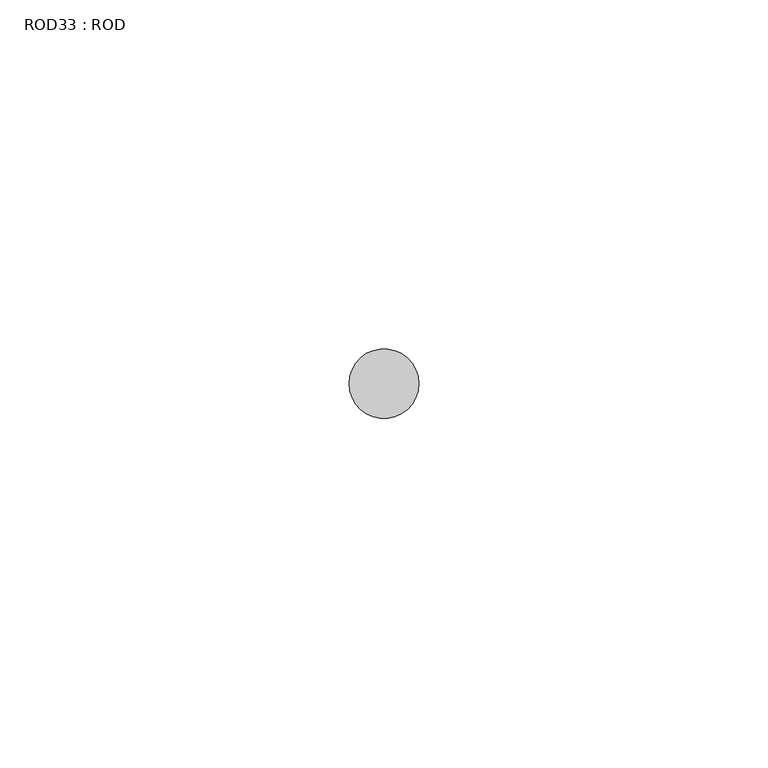
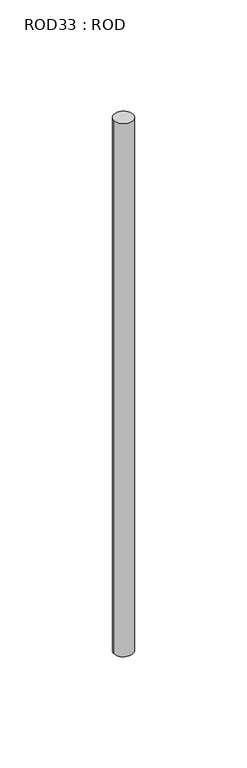
"""IFC4 building model written with IfcOpenShell, lengths in millimetres: proxy geometry, ROD33 : ROD."""

from ifc_helpers import new_model, si_unit, point, frame, frame_2d, origin, place, context, project, spatial, circle_curve, trimmed, segment, composite_curve, outline, extrude, source, transform, mapped, element, save


def rod33_rod_95397202(model_context):
    return source(origin(), model_context, "Body", "SweptSolid", [
        extrude(outline(composite_curve([segment(trimmed(circle_curve(frame_2d((-847.2215616, -1114.6300853)), 5.0), [point((-852.2215616, -1114.6300853))], [point((-842.2215616, -1114.6300853))], False, "CARTESIAN"), True, "CONTINUOUS"), segment(trimmed(circle_curve(frame_2d((-847.2215616, -1114.6300853)), 5.0), [point((-842.2215616, -1114.6300853))], [point((-852.2215616, -1114.6300853))], False, "CARTESIAN"), True, "CONTINUOUS")], self_intersect=False)), frame((0.0, 0.0, -208.6608845), z_axis=(0.0, 0.0, 1.0), x_axis=(1.0, 0.0, 0.0)), (0.0, 0.0, 1.0), 298.9028972),
    ])


if __name__ == "__main__":
    model = new_model("IFC4")
    model_context = context("Model", 3, world=origin())
    ifc_project = project(units=[si_unit("LENGTHUNIT", "METRE", prefix="MILLI")], contexts=[model_context])
    site = spatial("IfcSite", under=ifc_project)
    building = spatial("IfcBuilding", under=site)
    placement = place(None, origin())
    rod33_rod_shape = rod33_rod_95397202(model_context)
    element("IfcBuildingElementProxy", 1, Name="ROD33 : ROD", ObjectType="ROD33 : ROD", at=placement, inside=building, context=model_context, shape_type="MappedRepresentation", body=[
        mapped(rod33_rod_shape, transform((0.0, 0.0, 0.0), x_axis=(1.0, 0.0, 0.0), y_axis=(0.0, 1.0, 0.0), z_axis=(0.0, 0.0, 1.0))),
    ])
    save(model, "model.ifc")
